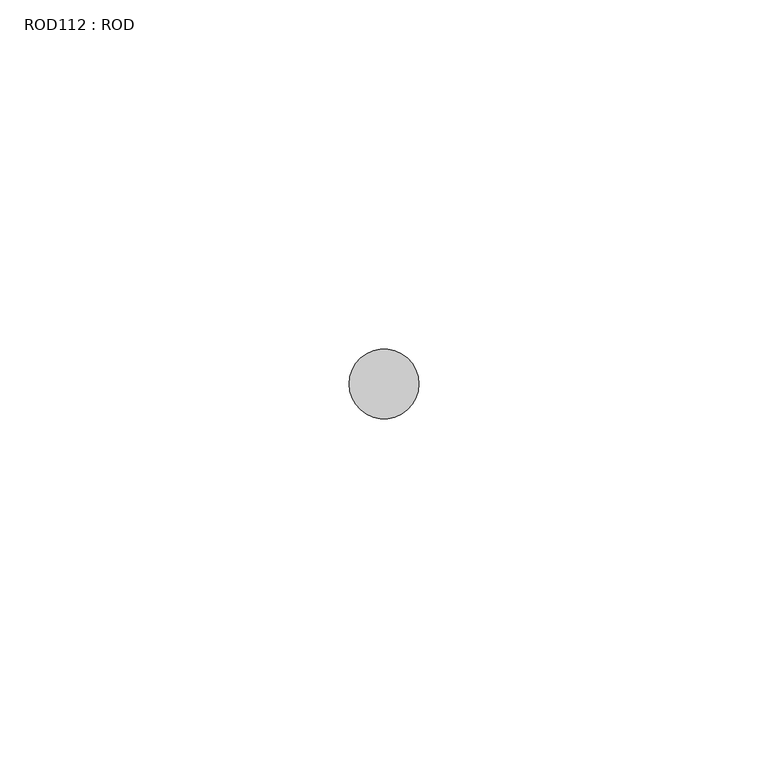
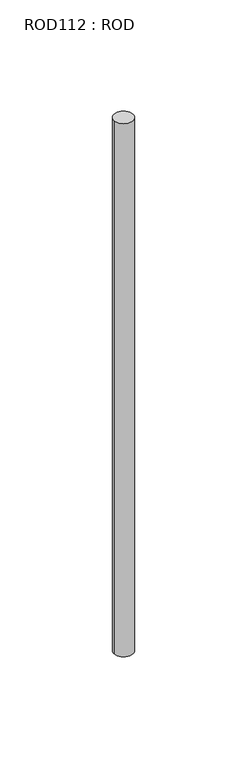
"""IFC4 building model written with IfcOpenShell, lengths in millimetres: proxy geometry, ROD112 : ROD."""

from ifc_helpers import new_model, si_unit, point, frame, frame_2d, origin, place, context, project, spatial, circle_curve, trimmed, segment, composite_curve, outline, extrude, source, transform, mapped, element, save


def rod112_rod_ac44f575(model_context):
    return source(origin(), model_context, "Body", "SweptSolid", [
        extrude(outline(composite_curve([segment(trimmed(circle_curve(frame_2d((7199.7673324, -10268.1048728)), 5.0), [point((7194.7673324, -10268.1048728))], [point((7204.7673324, -10268.1048728))], False, "CARTESIAN"), True, "CONTINUOUS"), segment(trimmed(circle_curve(frame_2d((7199.7673324, -10268.1048728)), 5.0), [point((7204.7673324, -10268.1048728))], [point((7194.7673324, -10268.1048728))], False, "CARTESIAN"), True, "CONTINUOUS")], self_intersect=False)), frame((0.0, 0.0, -108.6608845), z_axis=(0.0, 0.0, 1.0), x_axis=(1.0, 0.0, 0.0)), (0.0, 0.0, 1.0), 298.9028972),
    ])


if __name__ == "__main__":
    model = new_model("IFC4")
    model_context = context("Model", 3, world=origin())
    ifc_project = project(units=[si_unit("LENGTHUNIT", "METRE", prefix="MILLI")], contexts=[model_context])
    site = spatial("IfcSite", under=ifc_project)
    building = spatial("IfcBuilding", under=site)
    placement = place(None, origin())
    rod112_rod_shape = rod112_rod_ac44f575(model_context)
    element("IfcBuildingElementProxy", 1, Name="ROD112 : ROD", ObjectType="ROD112 : ROD", at=placement, inside=building, context=model_context, shape_type="MappedRepresentation", body=[
        mapped(rod112_rod_shape, transform((0.0, 0.0, 0.0), x_axis=(1.0, 0.0, 0.0), y_axis=(0.0, 1.0, 0.0), z_axis=(0.0, 0.0, 1.0))),
    ])
    save(model, "model.ifc")
